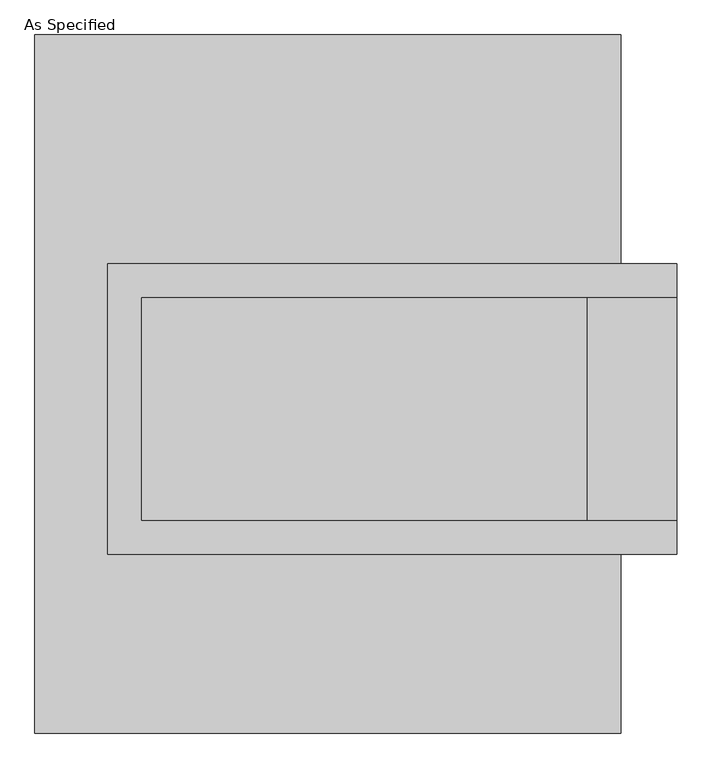
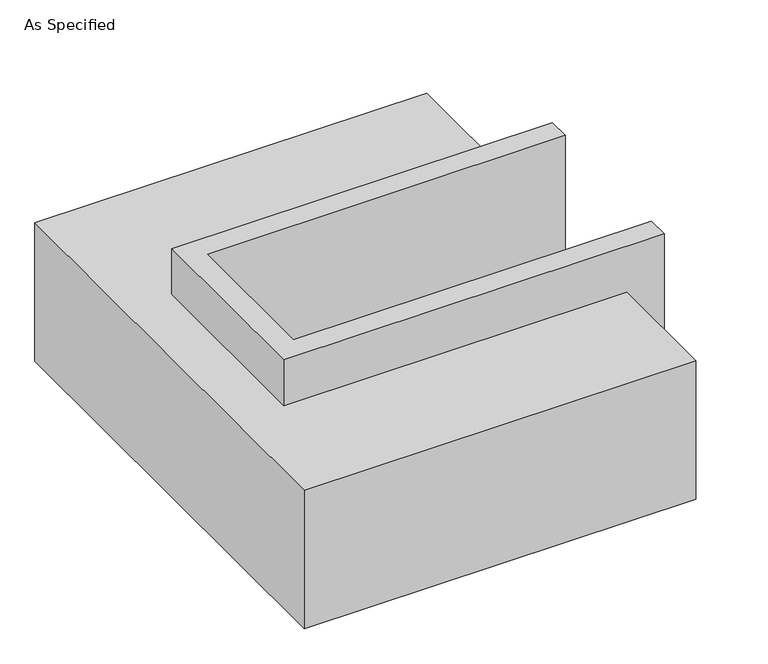
"""IFC4 building model written with IfcOpenShell, lengths in millimetres: proxy geometry, As Specified."""

from ifc_helpers import new_model, si_unit, origin, place, context, project, spatial, faceted_brep, source, transform, mapped, element, save


def as_specified_89885876(model_context):
    return source(origin(), model_context, "Body", "Brep", [
        faceted_brep([(-501.65, 273.05, 139.7), (-501.65, 273.05, -393.7), (-501.65, 196.85, -393.7), (-501.65, 196.85, -25.4), (-501.65, -311.15, -25.4), (-501.65, -311.15, -393.7), (-501.65, -387.35, -393.7), (-501.65, -387.35, 139.7), (793.75, 196.85, 139.7), (793.75, 196.85, -317.5), (793.75, -311.15, -317.5), (793.75, -311.15, 139.7), (793.75, -387.35, 139.7), (793.75, -387.35, -393.7), (793.75, 273.05, -393.7), (793.75, 273.05, 139.7), (-425.45, -311.15, 139.7), (-425.45, 196.85, 139.7), (590.55, -311.15, -393.7), (590.55, 196.85, -393.7), (590.55, -311.15, -317.5), (-425.45, -311.15, -25.4), (590.55, 196.85, -317.5), (-425.45, 196.85, -25.4)], [[[0, 1, 2, 3, 4, 5, 6, 7]], [[8, 9, 10, 11, 12, 13, 14, 15]], [[0, 7, 12, 11, 16, 17, 8, 15]], [[1, 0, 15, 14]], [[14, 13, 6, 5, 18, 19, 2, 1]], [[7, 6, 13, 12]], [[11, 10, 20, 18, 5, 4, 21, 16]], [[10, 9, 22, 20]], [[9, 8, 17, 23, 3, 2, 19, 22]], [[18, 20, 22, 19]], [[23, 21, 4, 3]], [[17, 16, 21, 23]]]),
        faceted_brep([(-666.75, 793.75, -523.9742188), (666.75, 793.75, -523.9742188), (666.75, -793.75, -523.9742188), (-666.75, -793.75, -523.9742188), (666.75, 793.75, -25.4), (-666.75, 793.75, -25.4), (-666.75, -793.75, -25.4), (666.75, -793.75, -25.4), (666.75, -387.35, -25.4), (-501.65, -387.35, -25.4), (-501.65, 273.05, -25.4), (666.75, 273.05, -25.4), (666.75, 273.05, -393.7), (666.75, -387.35, -393.7), (-501.65, -387.35, -393.7), (-501.65, 273.05, -393.7)], [[[0, 1, 2, 3]], [[4, 5, 6, 7, 8, 9, 10, 11]], [[1, 0, 5, 4]], [[5, 0, 3, 6]], [[1, 4, 11, 12, 13, 8, 7, 2]], [[3, 2, 7, 6]], [[14, 15, 10, 9]], [[10, 15, 12, 11]], [[15, 14, 13, 12]], [[14, 9, 8, 13]]]),
    ])


if __name__ == "__main__":
    model = new_model("IFC4")
    model_context = context("Model", 3, world=origin())
    ifc_project = project(units=[si_unit("LENGTHUNIT", "METRE", prefix="MILLI")], contexts=[model_context])
    site = spatial("IfcSite", under=ifc_project)
    building = spatial("IfcBuilding", under=site)
    placement = place(None, origin())
    as_specified_shape = as_specified_89885876(model_context)
    element("IfcBuildingElementProxy", 1, Name="As Specified", ObjectType="As Specified", at=placement, inside=building, context=model_context, shape_type="MappedRepresentation", body=[
        mapped(as_specified_shape, transform((0.0, 0.0, 0.0), x_axis=(1.0, 0.0, 0.0), y_axis=(0.0, 1.0, 0.0), z_axis=(0.0, 0.0, 1.0))),
    ])
    save(model, "model.ifc")
